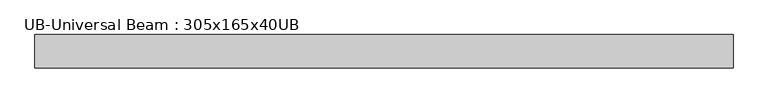
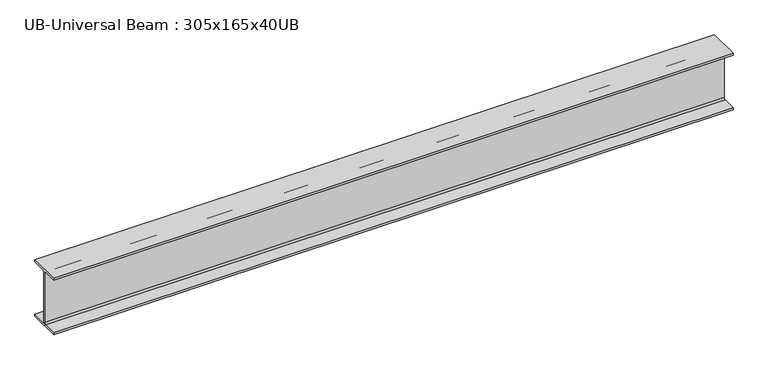
"""IFC4 building model written with IfcOpenShell, lengths in millimetres: beam geometry, UB-Universal Beam : 305x165x40UB."""

from ifc_helpers import new_model, si_unit, point, frame, frame_2d, origin, place, context, project, spatial, polyline, circle_curve, trimmed, segment, composite_curve, outline, extrude, source, transform, mapped, element, save


def ub_universal_beam_305x165x40ub_ed52b0af(model_context):
    return source(origin(), model_context, "Body", "SweptSolid", [
        extrude(outline(composite_curve([segment(polyline([(82.5, -141.5), (82.5, -151.7), (-82.5, -151.7), (-82.5, -141.5), (-11.9, -141.5)]), True, "CONTINUOUS"), segment(trimmed(circle_curve(frame_2d((-11.9, -132.6)), 8.9), [point((-11.9, -141.5))], [point((-3.0, -132.6))], True, "CARTESIAN"), True, "CONTINUOUS"), segment(polyline([(-3.0, -132.6), (-3.0, 132.6)]), True, "CONTINUOUS"), segment(trimmed(circle_curve(frame_2d((-11.9, 132.6)), 8.9), [point((-3.0, 132.6))], [point((-11.9, 141.5))], True, "CARTESIAN"), True, "CONTINUOUS"), segment(polyline([(-11.9, 141.5), (-82.5, 141.5), (-82.5, 151.7), (82.5, 151.7), (82.5, 141.5), (11.9, 141.5)]), True, "CONTINUOUS"), segment(trimmed(circle_curve(frame_2d((11.9, 132.6)), 8.9), [point((11.9, 141.5))], [point((3.0, 132.6))], True, "CARTESIAN"), True, "CONTINUOUS"), segment(polyline([(3.0, 132.6), (3.0, -132.6)]), True, "CONTINUOUS"), segment(trimmed(circle_curve(frame_2d((11.9, -132.6)), 8.9), [point((3.0, -132.6))], [point((11.9, -141.5))], True, "CARTESIAN"), True, "CONTINUOUS"), segment(polyline([(11.9, -141.5), (82.5, -141.5)]), True, "CONTINUOUS")], self_intersect=False)), frame((-1617.6603522, 0.0, 0.0), z_axis=(1.0, 0.0, 0.0), x_axis=(0.0, 1.0, 0.0)), (0.0, 0.0, 1.0), 3462.5894296),
    ])


if __name__ == "__main__":
    model = new_model("IFC4")
    model_context = context("Model", 3, world=origin())
    ifc_project = project(units=[si_unit("LENGTHUNIT", "METRE", prefix="MILLI")], contexts=[model_context])
    site = spatial("IfcSite", under=ifc_project)
    building = spatial("IfcBuilding", under=site)
    placement = place(None, origin())
    ub_universal_beam_305x165x40ub_shape = ub_universal_beam_305x165x40ub_ed52b0af(model_context)
    element("IfcBeam", 1, ObjectType="UB-Universal Beam : 305x165x40UB", at=placement, inside=building, context=model_context, shape_type="MappedRepresentation", body=[
        mapped(ub_universal_beam_305x165x40ub_shape, transform((0.0, 0.0, 0.0), x_axis=(1.0, 0.0, 0.0), y_axis=(0.0, 1.0, 0.0), z_axis=(0.0, 0.0, 1.0))),
    ])
    save(model, "model.ifc")
